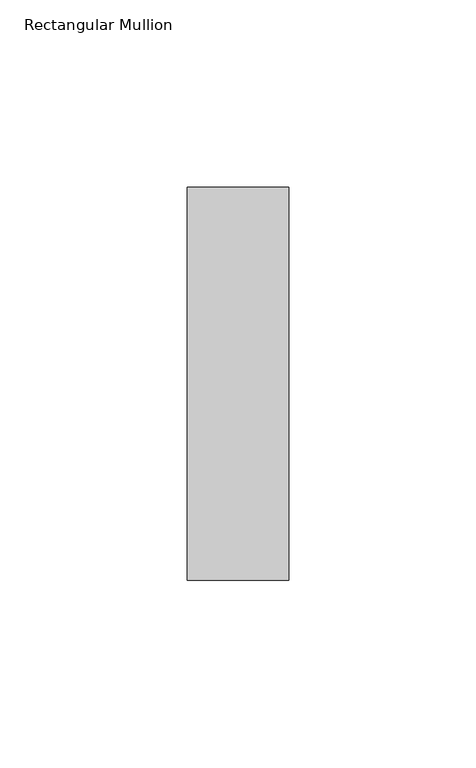
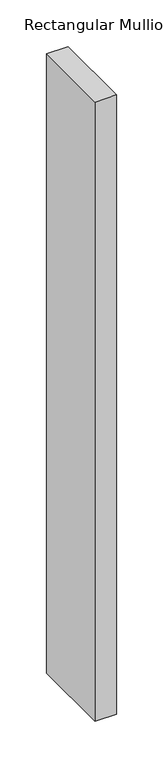
"""IFC4 building model written with IfcOpenShell, lengths in millimetres: member geometry, Rectangular Mullion."""

from ifc_helpers import new_model, si_unit, frame, origin, place, context, project, spatial, polyline, outline, extrude, source, transform, mapped, element, save


def rectangular_mullion_4358c4ee(model_context):
    return source(origin(), model_context, "Body", "SweptSolid", [
        extrude(outline(polyline([(-27.0, 52.3975), (0.0, 52.3975), (0.0, -52.3975), (-27.0, -52.3975), (-27.0, 52.3975)])), frame((0.0, 0.0, -813.0), z_axis=(0.0, 0.0, 1.0), x_axis=(1.0, 0.0, 0.0)), (0.0, 0.0, 1.0), 813.0),
    ])


if __name__ == "__main__":
    model = new_model("IFC4")
    model_context = context("Model", 3, world=origin())
    ifc_project = project(units=[si_unit("LENGTHUNIT", "METRE", prefix="MILLI")], contexts=[model_context])
    site = spatial("IfcSite", under=ifc_project)
    building = spatial("IfcBuilding", under=site)
    placement = place(None, origin())
    rectangular_mullion_shape = rectangular_mullion_4358c4ee(model_context)
    element("IfcMember", 1, ObjectType="Rectangular Mullion", at=placement, inside=building, context=model_context, shape_type="MappedRepresentation", body=[
        mapped(rectangular_mullion_shape, transform((0.0, 0.0, 0.0), x_axis=(1.0, 0.0, 0.0), y_axis=(0.0, 1.0, 0.0), z_axis=(0.0, 0.0, 1.0))),
    ])
    save(model, "model.ifc")
